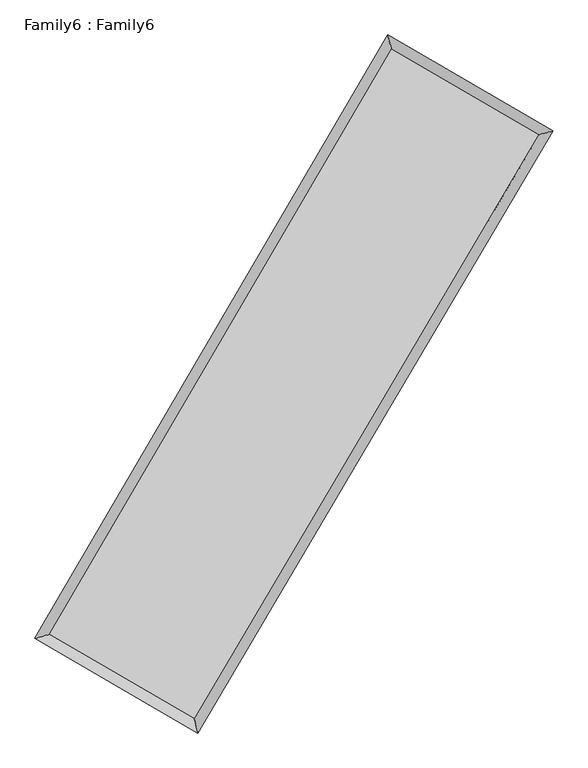
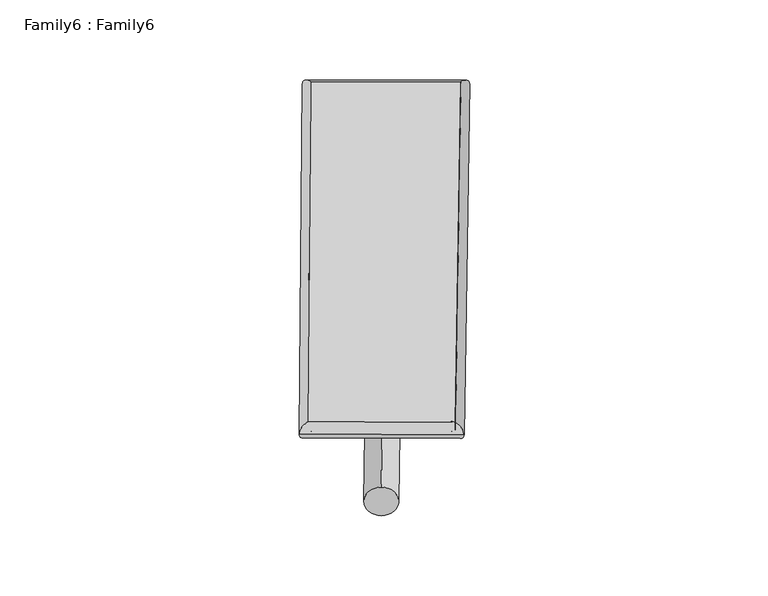
"""IFC4 building model written with IfcOpenShell, lengths in millimetres: plate geometry, Family6 : Family6."""

from ifc_helpers import new_model, si_unit, point, frame, origin, origin_2d, place, context, project, spatial, circle_curve, ellipse_curve, trimmed, segment, composite_curve, outline, extrude, source, transform, mapped, element, save
from ifc_brep_helpers import plane_surface, cylinder_surface, spline_surface, advanced_brep


def family6_family6_315dcef3(model_context):
    return source(origin(), model_context, "Body", "SolidModel", [
        extrude(outline(composite_curve([segment(trimmed(circle_curve(origin_2d(), 76.2), [point((-75.4341514, -10.7763073))], [point((75.4341514, 10.7763073))], False, "CARTESIAN"), True, "CONTINUOUS"), segment(trimmed(circle_curve(origin_2d(), 76.2), [point((75.4341514, 10.7763073))], [point((-75.4341514, -10.7763073))], False, "CARTESIAN"), True, "CONTINUOUS")], self_intersect=False)), frame((9144.0, 9144.0, 0.0), z_axis=(0.674666908923389, 0.685546177566404, 0.27358910875225323), x_axis=(-0.6777285294788863, 0.722181750126861, -0.138338570594359)), (0.0, 0.0, 1.0), 5582.7440509),
        extrude(outline(composite_curve([segment(trimmed(circle_curve(origin_2d(), 76.2), [point((-53.8815367, 53.8815367))], [point((53.8815367, -53.8815367))], False, "CARTESIAN"), True, "CONTINUOUS"), segment(trimmed(circle_curve(origin_2d(), 76.2), [point((53.8815367, -53.8815367))], [point((-53.8815367, 53.8815367))], False, "CARTESIAN"), True, "CONTINUOUS")], self_intersect=False)), frame((9144.0, 9144.0, 0.0), z_axis=(-0.6723484413817565, -0.6877528241938888, 0.2737583353705466), x_axis=(0.6422212408790101, -0.3580599857438824, 0.6777498980987864)), (0.0, 0.0, 1.0), 5579.1177544),
        extrude(outline(composite_curve([segment(trimmed(circle_curve(origin_2d(), 76.2), [point((-53.8815367, -53.8815367))], [point((53.8815367, 53.8815367))], False, "CARTESIAN"), True, "CONTINUOUS"), segment(trimmed(circle_curve(origin_2d(), 76.2), [point((53.8815367, 53.8815367))], [point((-53.8815367, -53.8815367))], False, "CARTESIAN"), True, "CONTINUOUS")], self_intersect=False)), frame((9144.0, 9144.0, 0.0), z_axis=(0.2693394260144702, 0.9236943037328608, 0.272479553078137), x_axis=(-0.8407628969223397, 0.3635125442305392, -0.40121862038768275)), (0.0, 0.0, 1.0), 5570.459802),
        extrude(outline(composite_curve([segment(trimmed(circle_curve(origin_2d(), 76.2), [point((-75.4341515, 10.7763074))], [point((75.4341515, -10.7763074))], False, "CARTESIAN"), True, "CONTINUOUS"), segment(trimmed(circle_curve(origin_2d(), 76.2), [point((75.4341515, -10.7763074))], [point((-75.4341515, 10.7763074))], False, "CARTESIAN"), True, "CONTINUOUS")], self_intersect=False)), frame((9144.0, 9144.0, 0.0), z_axis=(-0.2722940606229939, -0.9227659639990566, 0.27268832067826626), x_axis=(0.87926887157042, -0.12351340664557106, 0.4600333573406239)), (0.0, 0.0, 1.0), 5565.5196557),
        advanced_brep(
        [(5184.1942183, 5251.9313742, 1526.6013358), (5184.1914294, 5251.9271416, 1528.2884925), (5601.5835288, 5361.9606416, 1528.0586428), (10699.1597245, 14081.210601, 1518.8432342), (10589.5291669, 14497.5933755, 1516.8295603), (5601.5863177, 5361.9648742, 1526.3714861), (12701.3801139, 12916.5590065, 1527.2735433), (13119.6052304, 13025.8986824, 1527.4823952), (7574.1345474, 4216.1758524, 1517.8326441), (7682.9495596, 3800.479927, 1517.4717731)],
        [
            (0, 1, ellipse_curve(frame((5392.8888735, 5306.9460079, 1527.3299893), z_axis=(-0.2549109185979978, 0.966962463464915, 0.002004452390996236), x_axis=(-0.9669575014421603, -0.2549164249810436, 0.003287351459521301)), 215.8302109, 152.4)),
            (1, 2, ellipse_curve(frame((5392.8888735, 5306.9460079, 1527.3299893), z_axis=(-0.2549109185979978, 0.966962463464915, 0.002004452390996236), x_axis=(-0.9669575014421603, -0.2549164249810436, 0.003287351459521301)), 215.8302109, 152.4)),
            (2, 3),
            (3, 4, ellipse_curve(frame((10644.3444457, 14289.4019883, 1517.8363973), z_axis=(-0.9670383505451408, -0.25462348320601147, -0.0019262333637194346), x_axis=(0.25461663146749197, -0.9670367046242778, 0.0032222491469274077)), 215.2892934, 152.4)),
            (4, 0),
            (2, 5, ellipse_curve(frame((5392.8888735, 5306.9460079, 1527.3299893), z_axis=(-0.2549109185979978, 0.966962463464915, 0.002004452390996236), x_axis=(-0.9669575014421603, -0.2549164249810436, 0.003287351459521301)), 215.8302109, 152.4)),
            (5, 0, ellipse_curve(frame((5392.8888735, 5306.9460079, 1527.3299893), z_axis=(-0.2549109185979978, 0.966962463464915, 0.002004452390996236), x_axis=(-0.9669575014421603, -0.2549164249810436, 0.003287351459521301)), 215.8302109, 152.4)),
            (4, 3, ellipse_curve(frame((10644.3444457, 14289.4019883, 1517.8363973), z_axis=(-0.9670383505451408, -0.25462348320601147, -0.0019262333637194346), x_axis=(0.25461663146749197, -0.9670367046242778, 0.0032222491469274077)), 215.2892934, 152.4)),
            (3, 6),
            (6, 7, ellipse_curve(frame((12910.4926721, 12971.2288444, 1527.3779693), z_axis=(-0.25293484194910687, 0.9674814144014339, -0.0019179457712162145), x_axis=(-0.9674765966277448, -0.25293997649546074, -0.003225409752558869)), 216.1416652, 152.4)),
            (7, 4),
            (7, 6, ellipse_curve(frame((12910.4926721, 12971.2288444, 1527.3779693), z_axis=(-0.25293484194910687, 0.9674814144014339, -0.0019179457712162145), x_axis=(-0.9674765966277448, -0.25293997649546074, -0.003225409752558869)), 216.1416652, 152.4)),
            (6, 8),
            (8, 9, ellipse_curve(frame((7628.5420535, 4008.3278897, 1517.6522086), z_axis=(0.9674028268459771, 0.2532347764578202, -0.001979546102050019), x_axis=(-0.25322752379841174, 0.9674010596012929, 0.0033182937212217203)), 214.8517277, 152.4)),
            (9, 7),
            (9, 8, ellipse_curve(frame((7628.5420535, 4008.3278897, 1517.6522086), z_axis=(0.9674028268459771, 0.2532347764578202, -0.001979546102050019), x_axis=(-0.25322752379841174, 0.9674010596012929, 0.0033182937212217203)), 214.8517277, 152.4)),
            (8, 5),
            (1, 9),
        ],
        [
            cylinder_surface(frame((5392.8888735, 5306.9460079, 1527.3299893), z_axis=(-0.5047088128128758, -0.8632891646316533, 0.0009124136122719991), x_axis=(-0.8632781418081698, 0.5046963482192958, -0.005696136439814621)), 152.4),
            cylinder_surface(frame((10644.3444457, 14289.4019883, 1517.8363973), z_axis=(-0.8643945204418072, 0.5028010212340814, -0.0036395159215113415), x_axis=(0.5028114857053044, 0.8643909757725868, -0.002975037098858676)), 152.4),
            cylinder_surface(frame((12910.4926721, 12971.2288444, 1527.3779693), z_axis=(0.507709289243096, 0.861527947116062, 0.0009348552050945238), x_axis=(0.8615284165982718, -0.507709289243096, -0.0002549704786646212)), 152.4),
            cylinder_surface(frame((7628.5420535, 4008.3278897, 1517.6522086), z_axis=(0.8646994168447265, -0.5022757284430964, -0.003743143778545426), x_axis=(-0.5022694250156481, -0.8647074620525955, 0.002535698130556715)), 152.4),
        ],
        [
            (0, [[1, 2, 3, 4, 5]]),
            (0, [[6, 7, -5, 8, -3]]),
            (1, [[-4, 9, 10, 11]]),
            (1, [[-8, -11, 12, -9]]),
            (2, [[-10, 13, 14, 15]]),
            (2, [[-12, -15, 16, -13]]),
            (3, [[-14, 17, -6, -2, 18]]),
            (3, [[-16, -18, -1, -7, -17]]),
        ],
    ),
        extrude(outline(composite_curve([segment(trimmed(circle_curve(origin_2d(), 304.8), [point((1e-07, 304.8))], [point((0.0, -304.8))], False, "CARTESIAN"), True, "CONTINUOUS"), segment(trimmed(circle_curve(origin_2d(), 304.8), [point((0.0, -304.8))], [point((1e-07, 304.8))], False, "CARTESIAN"), True, "CONTINUOUS")], self_intersect=False)), frame((11793.911173, 13647.6580438, -0.0005017), z_axis=(-0.5071197261169408, -0.8618756194388315, 9.600656832823146e-08), x_axis=(-0.8618756194388366, 0.5071197261169408, -2.614934323631902e-08)), (0.0, 0.0, 1.0), 10450.8305891),
        advanced_brep(
        [(5392.8888735, 5306.9460079, 1527.3299893), (7628.5420535, 4008.3278897, 1517.6522086), (7628.5412699, 4008.3263904, 1670.0522086), (5392.88809, 5306.9445085, 1679.7299893), (12910.4926721, 12971.2288444, 1527.3779693), (12910.4918886, 12971.2273451, 1679.7779693), (10644.3444457, 14289.4019883, 1517.8363973), (10644.3436622, 14289.4004889, 1670.2363973)],
        [
            (0, 1),
            (1, 2),
            (2, 3),
            (3, 0),
            (1, 4),
            (4, 5),
            (5, 2),
            (4, 6),
            (6, 7),
            (7, 5),
            (6, 0),
            (3, 7),
        ],
        [
            plane_surface(frame((6510.7154635, 4657.6369488, 1522.491099), z_axis=(-0.5022792830676074, -0.8647054537113259, -1.10896549776196e-05), x_axis=(0.8646994168447265, -0.5022757284430964, -0.0037431437785454204))),
            plane_surface(frame((10269.5173628, 8489.7783671, 1522.515089), z_axis=(0.8615283238526646, -0.5077095106449142, -5.656697139911921e-07), x_axis=(0.5077092892430963, 0.8615279471160616, 0.0009348552050945277))),
            plane_surface(frame((11777.4185589, 13630.3154163, 1522.6071833), z_axis=(0.50280431641924, 0.8644002656566039, 1.1089351762012247e-05), x_axis=(-0.8643945204418071, 0.5028010212340817, -0.0036395159215113393))),
            plane_surface(frame((8018.6166596, 9798.1739981, 1522.5831933), z_axis=(-0.8632895237325389, 0.5047090233128079, 5.27094966387893e-07), x_axis=(-0.504708812812876, -0.8632891646316532, 0.0009124136122720001))),
            spline_surface(1, 1, [[(7628.5412699, 4008.3263904, 1670.0522086), (5392.88809, 5306.9445085, 1679.7299893)], [(12910.4918886, 12971.2273451, 1679.7779693), (10644.3436622, 14289.4004889, 1670.2363973)]], [2, 2], [2, 2], [0.0, 1.0], [0.0, 1.0]),
            spline_surface(1, 1, [[(10644.3444457, 14289.4019883, 1517.8363973), (5392.8888735, 5306.9460079, 1527.3299893)], [(12910.4926721, 12971.2288444, 1527.3779693), (7628.5420535, 4008.3278897, 1517.6522086)]], [2, 2], [2, 2], [0.0, 1.0], [0.0, 1.0]),
        ],
        [
            (0, [[1, 2, 3, 4]]),
            (1, [[5, 6, 7, -2]]),
            (2, [[8, 9, 10, -6]]),
            (3, [[11, -4, 12, -9]]),
            (4, [[-3, -7, -10, -12]]),
            (5, [[-11, -8, -5, -1]]),
        ],
    ),
    ])


if __name__ == "__main__":
    model = new_model("IFC4")
    model_context = context("Model", 3, world=origin())
    ifc_project = project(units=[si_unit("LENGTHUNIT", "METRE", prefix="MILLI")], contexts=[model_context])
    site = spatial("IfcSite", under=ifc_project)
    building = spatial("IfcBuilding", under=site)
    placement = place(None, origin())
    family6_family6_shape = family6_family6_315dcef3(model_context)
    element("IfcPlate", 1, ObjectType="Family6 : Family6", at=placement, inside=building, context=model_context, shape_type="MappedRepresentation", body=[
        mapped(family6_family6_shape, transform((0.0, 0.0, 0.0), x_axis=(1.0, 0.0, 0.0), y_axis=(0.0, 1.0, 0.0), z_axis=(0.0, 0.0, 1.0))),
    ])
    save(model, "model.ifc")
